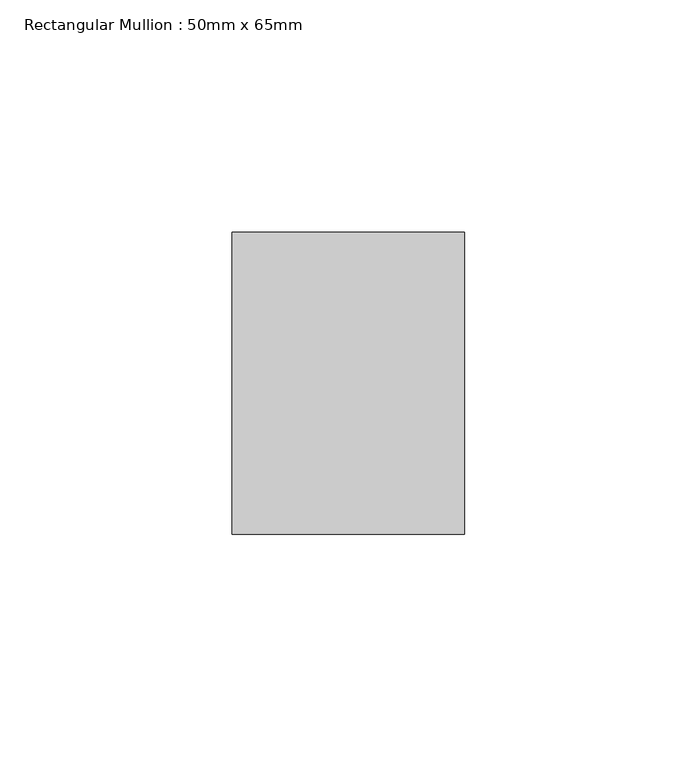
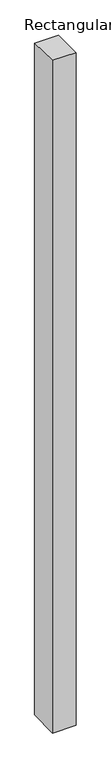
"""IFC4 building model written with IfcOpenShell, lengths in millimetres: member geometry, Rectangular Mullion : 50mm x 65mm."""

from ifc_helpers import new_model, si_unit, origin, place, context, project, spatial, faceted_brep, source, transform, mapped, element, save


def rectangular_mullion_50mm_x_65mm_5f3f39e3(model_context):
    return source(origin(), model_context, "Body", "Brep", [
        faceted_brep([(-25.0, 32.5, -0.5683184), (25.0, 32.5, -0.5683201), (25.0, 32.5, -1499.2875802), (-25.0, 32.5, -1499.2875824), (-25.0, -32.5, 0.5683201), (-25.0, -32.5, -1500.7129973), (25.0, -32.5, 0.5683184), (25.0, -32.5, -1500.7129952)], [[[0, 1, 2, 3]], [[4, 0, 3, 5]], [[6, 4, 5, 7]], [[1, 6, 7, 2]], [[1, 0, 4, 6]], [[2, 7, 5, 3]]]),
    ])


if __name__ == "__main__":
    model = new_model("IFC4")
    model_context = context("Model", 3, world=origin())
    ifc_project = project(units=[si_unit("LENGTHUNIT", "METRE", prefix="MILLI")], contexts=[model_context])
    site = spatial("IfcSite", under=ifc_project)
    building = spatial("IfcBuilding", under=site)
    placement = place(None, origin())
    rectangular_mullion_50mm_x_65mm_shape = rectangular_mullion_50mm_x_65mm_5f3f39e3(model_context)
    element("IfcMember", 1, ObjectType="Rectangular Mullion : 50mm x 65mm", at=placement, inside=building, context=model_context, shape_type="MappedRepresentation", body=[
        mapped(rectangular_mullion_50mm_x_65mm_shape, transform((0.0, 0.0, 0.0), x_axis=(1.0, 0.0, 0.0), y_axis=(0.0, 1.0, 0.0), z_axis=(0.0, 0.0, 1.0))),
    ])
    save(model, "model.ifc")
